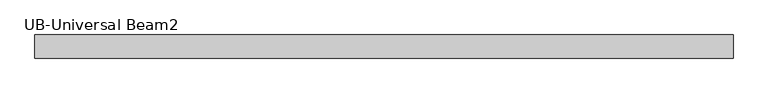
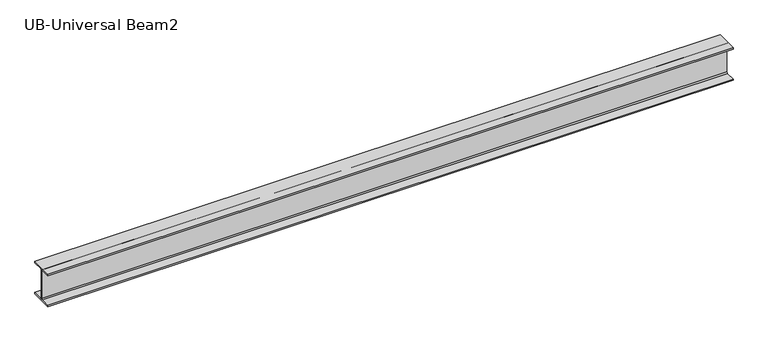
"""IFC4 building model written with IfcOpenShell, lengths in millimetres: beam geometry, UB-Universal Beam2."""

import ifcopenshell
import ifcopenshell.guid

model = None  # the IFC model being written
_history = None  # IfcOwnerHistory: only IFC2X3 demands one
_inside = {}  # id of a spatial element -> (the spatial element, [elements in it])
_under = {}  # id of a project, library or spatial element -> (it, [spatial elements below it])
_declared = {}  # id of a project -> (the project, [libraries it declares])
_typed = {}  # id of a type object -> (the type object, [elements of that type])
_made_of = {}  # id of a material, layer set ... -> (it, [elements and type objects made of it])


def new_model(schema):
    """Start an empty IFC model of exactly this schema.

    Asked for "IFC4X3", IfcOpenShell would pick the latest addendum, in which some entities
    have other attributes; the version numbers below select the first issue.
    IFC2X3 requires an IfcOwnerHistory on every rooted entity: one is made here for all.
    """
    global model, _history
    if schema == "IFC4X3":
        model = ifcopenshell.file(schema_version=(4, 3, 0, 0))
    else:
        model = ifcopenshell.file(schema=schema)
    _inside.clear()
    _under.clear()
    _declared.clear()
    _typed.clear()
    _made_of.clear()
    _history = None
    if model.schema == "IFC2X3":
        org = make("IfcOrganization", Name="unknown")
        user = make(
            "IfcPersonAndOrganization",
            ThePerson=make("IfcPerson", FamilyName="unknown"),
            TheOrganization=org,
        )
        app = make(
            "IfcApplication",
            ApplicationDeveloper=org,
            Version="unknown",
            ApplicationFullName="unknown",
            ApplicationIdentifier="unknown",
        )
        _history = make(
            "IfcOwnerHistory",
            OwningUser=user,
            OwningApplication=app,
            ChangeAction="ADDED",
            CreationDate=0,
        )
    return model


def make(cls, **values):
    """One entity of the class cls with the attributes given. An attribute that is None is left unset."""
    return model.create_entity(
        cls, **{name: value for name, value in values.items() if value is not None}
    )


def rooted(cls, **values):
    """An entity with a GlobalId (a new one), such as an element, a storey or a relation."""
    return make(cls, GlobalId=ifcopenshell.guid.new(), OwnerHistory=_history, **values)


def si_unit(unit_type, name, prefix=None):
    """IfcSIUnit, for example si_unit("LENGTHUNIT", "METRE", prefix="MILLI")."""
    return make("IfcSIUnit", UnitType=unit_type, Prefix=prefix, Name=name)


def assignment(units):
    """IfcUnitAssignment: the units of a project."""
    return None if units is None else make("IfcUnitAssignment", Units=units)


def point(xyz):
    """IfcCartesianPoint."""
    return None if xyz is None else make("IfcCartesianPoint", Coordinates=xyz)


def direction(xyz):
    """IfcDirection."""
    return None if xyz is None else make("IfcDirection", DirectionRatios=xyz)


def frame(location, z_axis=None, x_axis=None):
    """IfcAxis2Placement3D, a coordinate frame: its origin and axes. An axis left out is left unset."""
    return make(
        "IfcAxis2Placement3D",
        Location=point(location),
        Axis=direction(z_axis),
        RefDirection=direction(x_axis),
    )


def frame_2d(location, x_axis=None):
    """IfcAxis2Placement2D, a coordinate frame in the plane: its origin and x axis."""
    return make(
        "IfcAxis2Placement2D", Location=point(location), RefDirection=direction(x_axis)
    )


def origin():
    """The frame at (0, 0, 0) with its axes left unset."""
    return frame((0.0, 0.0, 0.0))


def place(relative_to, where):
    """IfcLocalPlacement: puts the frame where relative to a parent placement (None: the world)."""
    return make(
        "IfcLocalPlacement", PlacementRelTo=relative_to, RelativePlacement=where
    )


def context(
    kind, dimensions, precision=None, world=None, true_north=None, identifier=None
):
    """IfcGeometricRepresentationContext, for example the 3D "Model" context."""
    return make(
        "IfcGeometricRepresentationContext",
        ContextIdentifier=identifier,
        ContextType=kind,
        CoordinateSpaceDimension=dimensions,
        Precision=precision,
        WorldCoordinateSystem=world,
        TrueNorth=true_north,
    )


def project(units=None, contexts=None):
    """IfcProject with its units and contexts."""
    return rooted(
        "IfcProject",
        Name="project",
        RepresentationContexts=contexts,
        UnitsInContext=assignment(units),
    )


def spatial(cls, under=None, at=None, **own):
    """A site, building, storey or space (cls), placed at a placement, below another one or the project."""
    s = rooted(cls, ObjectPlacement=at, **own)
    if under is not None:
        _under.setdefault(under.id(), (under, []))[1].append(s)
    return s


def polyline(points):
    """IfcPolyline through the points."""
    return make("IfcPolyline", Points=[point(p) for p in points])


def circle_curve(where, radius):
    """IfcCircle in the frame where."""
    return make("IfcCircle", Position=where, Radius=radius)


def trimmed(basis, trim1, trim2, sense, master):
    """IfcTrimmedCurve: the piece of a basis curve between two trims."""
    return make(
        "IfcTrimmedCurve",
        BasisCurve=basis,
        Trim1=trim1,
        Trim2=trim2,
        SenseAgreement=sense,
        MasterRepresentation=master,
    )


def segment(curve, same_sense, transition):
    """IfcCompositeCurveSegment."""
    return make(
        "IfcCompositeCurveSegment",
        Transition=transition,
        SameSense=same_sense,
        ParentCurve=curve,
    )


def composite_curve(segments, self_intersect=None):
    """IfcCompositeCurve: segments joined end to end."""
    return make("IfcCompositeCurve", Segments=segments, SelfIntersect=self_intersect)


def outline(outer, holes=None, kind="AREA"):
    """IfcArbitraryClosedProfileDef: a profile drawn as a closed curve; with holes, ...WithVoids."""
    if holes is None:
        return make("IfcArbitraryClosedProfileDef", ProfileType=kind, OuterCurve=outer)
    return make(
        "IfcArbitraryProfileDefWithVoids",
        ProfileType=kind,
        OuterCurve=outer,
        InnerCurves=holes,
    )


def extrude(swept, where, along, depth):
    """IfcExtrudedAreaSolid: the profile swept, set in the frame where, extruded along a direction by depth."""
    return make(
        "IfcExtrudedAreaSolid",
        SweptArea=swept,
        Position=where,
        ExtrudedDirection=direction(along),
        Depth=depth,
    )


def shape(context_of_items, identifier, shape_type, items):
    """IfcShapeRepresentation: the items that make up one representation, for example the "Body"."""
    return make(
        "IfcShapeRepresentation",
        ContextOfItems=context_of_items,
        RepresentationIdentifier=identifier,
        RepresentationType=shape_type,
        Items=items,
    )


def source(mapping_origin, context_of_items, identifier, shape_type, items):
    """IfcRepresentationMap: a shape defined once, which mapped items show again and again."""
    return make(
        "IfcRepresentationMap",
        MappingOrigin=mapping_origin,
        MappedRepresentation=shape(context_of_items, identifier, shape_type, items),
    )


def transform(
    local_origin,
    x_axis=None,
    y_axis=None,
    z_axis=None,
    scale=None,
    scale2=None,
    scale3=None,
    uniform=True,
):
    """IfcCartesianTransformationOperator3D, or its non-uniform kind. x_axis, y_axis, z_axis: its Axis1, 2, 3."""
    if uniform:
        return make(
            "IfcCartesianTransformationOperator3D",
            Axis1=direction(x_axis),
            Axis2=direction(y_axis),
            LocalOrigin=point(local_origin),
            Scale=scale,
            Axis3=direction(z_axis),
        )
    return make(
        "IfcCartesianTransformationOperator3DnonUniform",
        Axis1=direction(x_axis),
        Axis2=direction(y_axis),
        LocalOrigin=point(local_origin),
        Scale=scale,
        Axis3=direction(z_axis),
        Scale2=scale2,
        Scale3=scale3,
    )


def mapped(mapping_source, mapping_target):
    """IfcMappedItem: shows the shape of a source again, moved by a transform."""
    return make(
        "IfcMappedItem", MappingSource=mapping_source, MappingTarget=mapping_target
    )


def made_of(thing, what):
    """Note that an element or type object is made of a material, layer set ...; save() writes the relation."""
    if what is not None:
        _made_of.setdefault(what.id(), (what, []))[1].append(thing)
    return thing


def element(
    cls,
    number,
    at=None,
    inside=None,
    cuts=None,
    type_object=None,
    material=None,
    context=None,
    identifier="Body",
    shape_type=None,
    held_by="IfcProductDefinitionShape",
    body=None,
    shapes=None,
    **own,
):
    """One element of the class cls, such as IfcWall. Its Tag is "e" and its number.

    at: its placement. inside: the storey or other place that contains it. cuts: it is an
    opening in that element (IfcRelVoidsElement). A single representation is given by context,
    identifier, shape_type and body (its items); several are given by shapes. held_by: the class
    of the entity that holds the representations. save() writes the other relations.
    """
    e = rooted(cls, Tag="e%d" % number, ObjectPlacement=at, **own)
    if body is not None:
        shapes = [shape(context, identifier, shape_type, body)]
    if shapes is not None:
        e.Representation = make(held_by, Representations=shapes)
    if inside is not None:
        _inside.setdefault(inside.id(), (inside, []))[1].append(e)
    if cuts is not None:
        rooted(
            "IfcRelVoidsElement", RelatingBuildingElement=cuts, RelatedOpeningElement=e
        )
    if type_object is not None:
        _typed.setdefault(type_object.id(), (type_object, []))[1].append(e)
    return made_of(e, material)


def aggregate(whole, parts):
    """IfcRelAggregates: a whole, such as a stair, and the parts it consists of."""
    return rooted("IfcRelAggregates", RelatingObject=whole, RelatedObjects=parts)


def save(model, path):
    """Write the relations noted so far, then the file.

    IfcRelAggregates (storeys below a building ...), IfcRelContainedInSpatialStructure (elements
    in a storey), IfcRelDefinesByType, IfcRelAssociatesMaterial and IfcRelDeclares: one each for
    every whole, place, type object, material and project.
    """
    for whole, parts in _under.values():
        aggregate(whole, parts)
    for where, things in _inside.values():
        rooted(
            "IfcRelContainedInSpatialStructure",
            RelatedElements=things,
            RelatingStructure=where,
        )
    for kind, things in _typed.values():
        rooted("IfcRelDefinesByType", RelatedObjects=things, RelatingType=kind)
    for what, things in _made_of.values():
        rooted("IfcRelAssociatesMaterial", RelatedObjects=things, RelatingMaterial=what)
    for by, libraries in _declared.values():
        rooted("IfcRelDeclares", RelatingContext=by, RelatedDefinitions=libraries)
    model.write(path)


def ub_universal_beam2_8285ca34(model_context):
    return source(origin(), model_context, "Body", "SweptSolid", [
        extrude(outline(composite_curve([segment(polyline([(82.5, -114.8), (82.5, -125.0), (-82.5, -125.0), (-82.5, -114.8), (-11.9, -114.8)]), True, "CONTINUOUS"), segment(trimmed(circle_curve(frame_2d((-11.9, -105.9)), 8.9), [point((-11.9, -114.8))], [point((-3.0, -105.9))], True, "CARTESIAN"), True, "CONTINUOUS"), segment(polyline([(-3.0, -105.9), (-3.0, 105.9)]), True, "CONTINUOUS"), segment(trimmed(circle_curve(frame_2d((-11.9, 105.9)), 8.9), [point((-3.0, 105.9))], [point((-11.9, 114.8))], True, "CARTESIAN"), True, "CONTINUOUS"), segment(polyline([(-11.9, 114.8), (-82.5, 114.8), (-82.5, 125.0), (82.5, 125.0), (82.5, 114.8), (11.9, 114.8)]), True, "CONTINUOUS"), segment(trimmed(circle_curve(frame_2d((11.9, 105.9)), 8.9), [point((11.9, 114.8))], [point((3.0, 105.9))], True, "CARTESIAN"), True, "CONTINUOUS"), segment(polyline([(3.0, 105.9), (3.0, -105.9)]), True, "CONTINUOUS"), segment(trimmed(circle_curve(frame_2d((11.9, -105.9)), 8.9), [point((3.0, -105.9))], [point((11.9, -114.8))], True, "CARTESIAN"), True, "CONTINUOUS"), segment(polyline([(11.9, -114.8), (82.5, -114.8)]), True, "CONTINUOUS")], self_intersect=False)), frame((-2582.5, 0.0, 0.0), z_axis=(1.0, 0.0, 0.0), x_axis=(0.0, 1.0, 0.0)), (0.0, 0.0, 1.0), 4987.3),
    ])


if __name__ == "__main__":
    model = new_model("IFC4")
    model_context = context("Model", 3, world=origin())
    ifc_project = project(units=[si_unit("LENGTHUNIT", "METRE", prefix="MILLI")], contexts=[model_context])
    site = spatial("IfcSite", under=ifc_project)
    building = spatial("IfcBuilding", under=site)
    placement = place(None, origin())
    ub_universal_beam2_shape = ub_universal_beam2_8285ca34(model_context)
    element("IfcBeam", 1, ObjectType="UB-Universal Beam2", at=placement, inside=building, context=model_context, shape_type="MappedRepresentation", body=[
        mapped(ub_universal_beam2_shape, transform((0.0, 0.0, 0.0), x_axis=(1.0, 0.0, 0.0), y_axis=(0.0, 1.0, 0.0), z_axis=(0.0, 0.0, 1.0))),
    ])
    save(model, "model.ifc")
